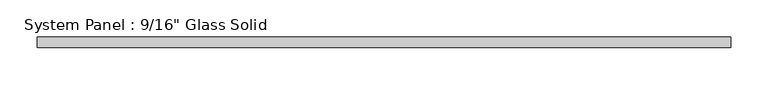
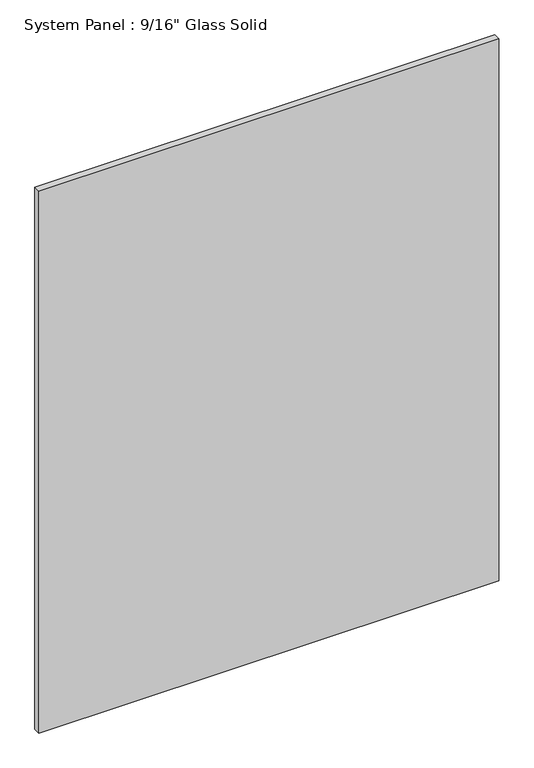
"""IFC4 building model written with IfcOpenShell, lengths in millimetres: plate geometry."""

from ifc_helpers import new_model, si_unit, origin, origin_with_axes, place, context, project, spatial, polyline, outline, extrude, source, transform, mapped, element, save


def plate_1d699aa7(model_context):
    return source(origin(), model_context, "Body", "SweptSolid", [
        extrude(outline(polyline([(466.1470691, -7.14375), (-466.1470691, -7.14375), (-466.1470691, 7.14375), (466.1470691, 7.14375), (466.1470691, -7.14375)])), origin_with_axes(), (0.0, 0.0, 1.0), 1162.05),
    ])


if __name__ == "__main__":
    model = new_model("IFC4")
    model_context = context("Model", 3, world=origin())
    ifc_project = project(units=[si_unit("LENGTHUNIT", "METRE", prefix="MILLI")], contexts=[model_context])
    site = spatial("IfcSite", under=ifc_project)
    building = spatial("IfcBuilding", under=site)
    placement = place(None, origin())
    plate_shape = plate_1d699aa7(model_context)
    element("IfcPlate", 1, ObjectType="System Panel : 9/16\" Glass Solid", at=placement, inside=building, context=model_context, shape_type="MappedRepresentation", body=[
        mapped(plate_shape, transform((0.0, 0.0, 0.0), x_axis=(1.0, 0.0, 0.0), y_axis=(0.0, 1.0, 0.0), z_axis=(0.0, 0.0, 1.0))),
    ])
    save(model, "model.ifc")
